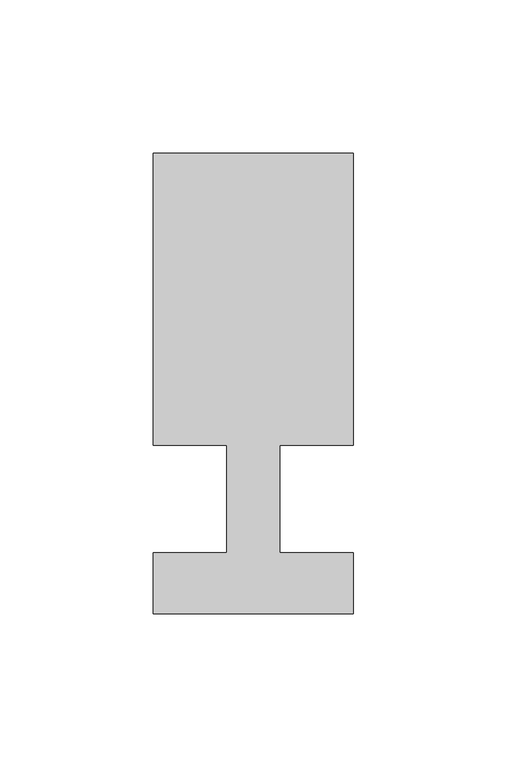
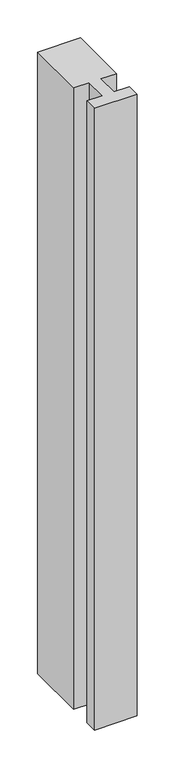
"""IFC4 building model written with IfcOpenShell, lengths in millimetres: member geometry."""

from ifc_helpers import new_model, si_unit, frame, origin, place, context, project, spatial, polyline, outline, extrude, source, transform, mapped, element, save


def member_c3a9db05(model_context):
    return source(origin(), model_context, "Body", "SweptSolid", [
        extrude(outline(polyline([(-65.0, -37.0), (-65.0, -17.0), (-41.1875, -17.0), (-41.1875, 18.0), (-65.0, 18.0), (-65.0, 113.0), (0.0, 113.0), (0.0, 18.0), (-23.8125, 18.0), (-23.8125, -17.0), (0.0, -17.0), (0.0, -37.0), (-65.0, -37.0)])), frame((0.0, 0.0, -1001.5982143), z_axis=(0.0, 0.0, 1.0), x_axis=(1.0, 0.0, 0.0)), (0.0, 0.0, 1.0), 1001.5982143),
    ])


if __name__ == "__main__":
    model = new_model("IFC4")
    model_context = context("Model", 3, world=origin())
    ifc_project = project(units=[si_unit("LENGTHUNIT", "METRE", prefix="MILLI")], contexts=[model_context])
    site = spatial("IfcSite", under=ifc_project)
    building = spatial("IfcBuilding", under=site)
    placement = place(None, origin())
    member_shape = member_c3a9db05(model_context)
    element("IfcMember", 1, at=placement, inside=building, context=model_context, shape_type="MappedRepresentation", body=[
        mapped(member_shape, transform((0.0, 0.0, 0.0), x_axis=(1.0, 0.0, 0.0), y_axis=(0.0, 1.0, 0.0), z_axis=(0.0, 0.0, 1.0))),
    ])
    save(model, "model.ifc")
